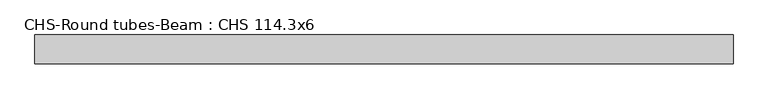
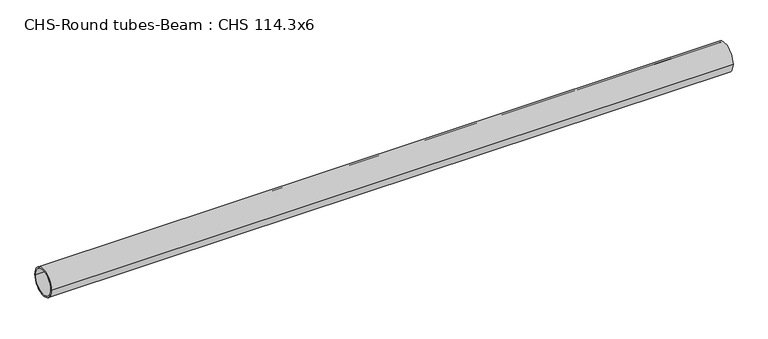
"""IFC4 building model written with IfcOpenShell, lengths in millimetres: beam geometry, CHS-Round tubes-Beam : CHS 114.3x6."""

from ifc_helpers import new_model, si_unit, point, frame, origin, origin_2d, place, context, project, spatial, circle_curve, trimmed, segment, composite_curve, outline, extrude, source, transform, mapped, element, save


def chs_round_tubes_beam_chs_114_3x6_34dd8482(model_context):
    return source(origin(), model_context, "Body", "SweptSolid", [
        extrude(outline(composite_curve([segment(trimmed(circle_curve(origin_2d(), 57.15), [point((57.15, 0.0))], [point((-57.15, 0.0))], False, "CARTESIAN"), True, "CONTINUOUS"), segment(trimmed(circle_curve(origin_2d(), 57.15), [point((-57.15, 0.0))], [point((57.15, 0.0))], False, "CARTESIAN"), True, "CONTINUOUS")], self_intersect=False), holes=[composite_curve([segment(trimmed(circle_curve(origin_2d(), 51.15), [point((51.15, 0.0))], [point((-51.15, 0.0))], True, "CARTESIAN"), True, "CONTINUOUS"), segment(trimmed(circle_curve(origin_2d(), 51.15), [point((-51.15, 0.0))], [point((51.15, 0.0))], True, "CARTESIAN"), True, "CONTINUOUS")], self_intersect=False)]), frame((-1325.3035149, 0.0, 0.0), z_axis=(1.0, 0.0, 0.0), x_axis=(0.0, 1.0, 0.0)), (0.0, 0.0, 1.0), 2759.8135868),
    ])


if __name__ == "__main__":
    model = new_model("IFC4")
    model_context = context("Model", 3, world=origin())
    ifc_project = project(units=[si_unit("LENGTHUNIT", "METRE", prefix="MILLI")], contexts=[model_context])
    site = spatial("IfcSite", under=ifc_project)
    building = spatial("IfcBuilding", under=site)
    placement = place(None, origin())
    chs_round_tubes_beam_chs_114_3x6_shape = chs_round_tubes_beam_chs_114_3x6_34dd8482(model_context)
    element("IfcBeam", 1, ObjectType="CHS-Round tubes-Beam : CHS 114.3x6", at=placement, inside=building, context=model_context, shape_type="MappedRepresentation", body=[
        mapped(chs_round_tubes_beam_chs_114_3x6_shape, transform((0.0, 0.0, 0.0), x_axis=(1.0, 0.0, 0.0), y_axis=(0.0, 1.0, 0.0), z_axis=(0.0, 0.0, 1.0))),
    ])
    save(model, "model.ifc")
